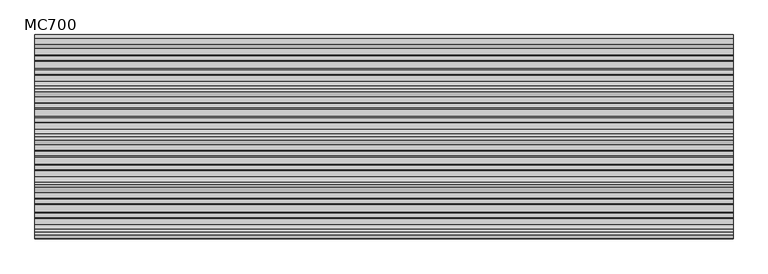
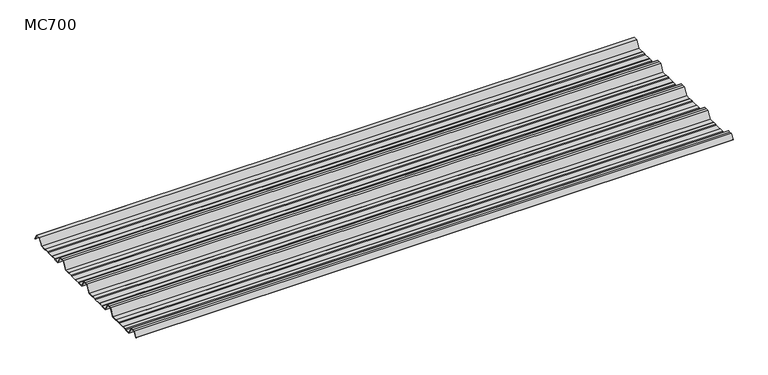
"""IFC4 building model written with IfcOpenShell, lengths in millimetres: beam geometry, MC700."""

from ifc_helpers import new_model, si_unit, point, frame, frame_2d, origin, place, context, project, spatial, polyline, circle_curve, trimmed, segment, composite_curve, outline, extrude, source, transform, mapped, element, save


def mc700_4bd2f9dd(model_context):
    return source(origin(), model_context, "Body", "SweptSolid", [
        extrude(outline(composite_curve([segment(polyline([(-279.7790109, -25.7896475), (-284.1593286, -23.7494212), (-300.5873198, -23.7494212), (-303.802364, -25.7896475), (-326.5000016, -25.7896475), (-344.5745116, 5.2103525), (-355.0, 5.2103525), (-365.4254884, 5.2103525), (-383.4999984, -25.7896475), (-406.197636, -25.7896475), (-409.4126802, -23.7494212), (-425.8406714, -23.7494212), (-430.2209891, -25.7896475), (-457.2790109, -25.7896475), (-461.6593286, -23.7494212), (-478.0873198, -23.7494212), (-481.302364, -25.7896475), (-504.0000016, -25.7896475), (-522.0745116, 5.2103525), (-532.5, 5.2103525), (-542.9254884, 5.2103525), (-560.9999984, -25.7896475), (-583.697636, -25.7896475), (-586.9126802, -23.7494212), (-603.3406714, -23.7494212), (-607.7209891, -25.7896475), (-634.7790109, -25.7896475), (-639.1593286, -23.7494212), (-655.5873198, -23.7494212), (-658.802364, -25.7896475), (-681.5000016, -25.7896475), (-699.5745116, 5.2103525), (-710.0, 5.2103525), (-720.4254884, 5.2103525), (-732.728303, -15.8904825)]), True, "CONTINUOUS"), segment(trimmed(circle_curve(frame_2d((-733.160246, -15.6386387)), 0.5), [point((-732.728303, -15.8904825))], [point((-733.5921889, -15.3867949))], False, "CARTESIAN"), True, "CONTINUOUS"), segment(polyline([(-733.5921889, -15.3867949), (-721.0, 6.2103525), (-710.0, 6.2103525), (-699.0, 6.2103525), (-680.92549, -24.7896475), (-659.0928785, -24.7896475), (-655.8778343, -22.7494212), (-638.9378651, -22.7494212), (-634.5575473, -24.7896475), (-607.9424527, -24.7896475), (-603.5621349, -22.7494212), (-586.6221657, -22.7494212), (-583.4071215, -24.7896475), (-561.57451, -24.7896475), (-543.5, 6.2103525), (-532.5, 6.2103525), (-521.5, 6.2103525), (-503.42549, -24.7896475), (-481.5928785, -24.7896475), (-478.3778343, -22.7494212), (-461.4378651, -22.7494212), (-457.0575473, -24.7896475), (-430.4424527, -24.7896475), (-426.0621349, -22.7494212), (-409.1221657, -22.7494212), (-405.9071215, -24.7896475), (-384.07451, -24.7896475), (-366.0, 6.2103525), (-355.0, 6.2103525), (-344.0, 6.2103525), (-325.92549, -24.7896475), (-304.0928785, -24.7896475), (-300.8778343, -22.7494212), (-283.9378651, -22.7494212), (-279.5575473, -24.7896475), (-252.9424527, -24.7896475), (-248.5621349, -22.7494212), (-231.6221657, -22.7494212), (-228.4071215, -24.7896475), (-206.57451, -24.7896475), (-188.5, 6.2103525), (-177.5, 6.2103525), (-166.5, 6.2103525), (-148.42549, -24.7896475), (-126.5928785, -24.7896475), (-123.3778343, -22.7494212), (-106.4378651, -22.7494212), (-102.0575473, -24.7896475), (-75.4424527, -24.7896475), (-71.0621349, -22.7494212), (-54.1221657, -22.7494212), (-50.9071215, -24.7896475), (-26.7593894, -24.7896475), (-9.8509769, 4.2103525), (9.8509769, 4.2103525), (24.2964926, -20.5654776)]), True, "CONTINUOUS"), segment(trimmed(circle_curve(frame_2d((23.8645497, -20.8173214)), 0.5), [point((24.2964926, -20.5654776))], [point((23.4326067, -21.0691651))], False, "CARTESIAN"), True, "CONTINUOUS"), segment(polyline([(23.4326067, -21.0691651), (9.2764653, 3.2103525), (-9.2764653, 3.2103525), (-26.1848779, -25.7896475), (-51.197636, -25.7896475), (-54.4126802, -23.7494212), (-70.8406714, -23.7494212), (-75.2209891, -25.7896475), (-102.2790109, -25.7896475), (-106.6593286, -23.7494212), (-123.0873198, -23.7494212), (-126.302364, -25.7896475), (-149.0000016, -25.7896475), (-167.0745116, 5.2103525), (-177.5, 5.2103525), (-187.9254884, 5.2103525), (-205.9999984, -25.7896475), (-228.697636, -25.7896475), (-231.9126802, -23.7494212), (-248.3406714, -23.7494212), (-252.7209891, -25.7896475), (-279.7790109, -25.7896475)]), True, "CONTINUOUS")], self_intersect=False)), frame((-1295.1012987, 0.0, 0.0), z_axis=(1.0, 0.0, 0.0), x_axis=(0.0, 1.0, 0.0)), (0.0, 0.0, 1.0), 2590.2025973),
    ])


if __name__ == "__main__":
    model = new_model("IFC4")
    model_context = context("Model", 3, world=origin())
    ifc_project = project(units=[si_unit("LENGTHUNIT", "METRE", prefix="MILLI")], contexts=[model_context])
    site = spatial("IfcSite", under=ifc_project)
    building = spatial("IfcBuilding", under=site)
    placement = place(None, origin())
    mc700_shape = mc700_4bd2f9dd(model_context)
    element("IfcBeam", 1, ObjectType="MC700", at=placement, inside=building, context=model_context, shape_type="MappedRepresentation", body=[
        mapped(mc700_shape, transform((0.0, 0.0, 0.0), x_axis=(1.0, 0.0, 0.0), y_axis=(0.0, 1.0, 0.0), z_axis=(0.0, 0.0, 1.0))),
    ])
    save(model, "model.ifc")
